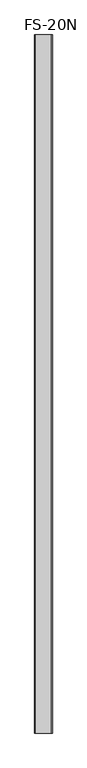
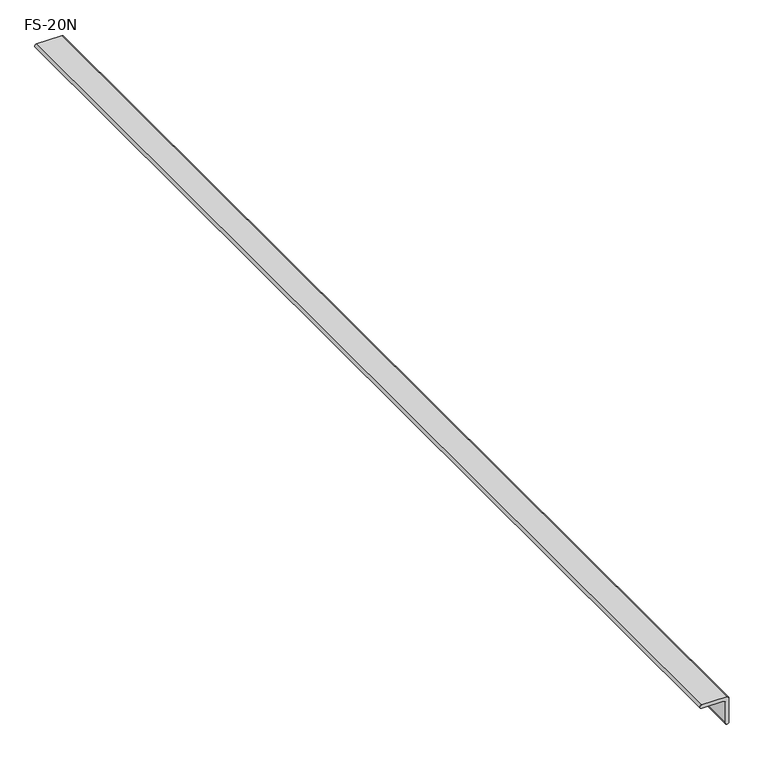
"""IFC4 building model written with IfcOpenShell, lengths in millimetres: proxy geometry, FS-20N."""

from ifc_helpers import new_model, si_unit, frame, origin, place, context, project, spatial, polyline, circle_curve, source, transform, mapped, element, save
from ifc_brep_helpers import plane_surface, cylinder_surface, revolved_surface, advanced_brep


def fs_20n_4d1fc5f1(model_context):
    return source(origin(), model_context, "Body", "AdvancedBrep", [
        advanced_brep(
        [(-67.9402393, 1879.6, -5.8442479), (-68.0517699, 1879.6, 3.5402655), (-2.5287611, 1879.6, 3.5402655), (3.5964601, 1879.6, -2.8378314), (3.5964602, 1879.6, -68.1641593), (-5.7880524, 1879.6, -68.0798675), (-5.7880524, 1879.6, -11.070354), (-11.0141586, 1879.6, -5.8442478), (-67.9402393, -1141.4125, -5.8442478), (-11.0141586, -1141.4125, -5.8442478), (-5.7880524, -1141.4125, -11.070354), (-5.7880524, -1141.4125, -68.0798675), (3.5964602, -1141.4125, -68.1641593), (3.5964602, -1141.4125, -2.8378314), (-2.5763546, -1141.4125, 3.4823125), (-68.0517699, -1141.4125, 3.5402655)],
        [
            (0, 1, circle_curve(frame((-67.9402393, 1879.6, -1.1513284), z_axis=(0.0, 1.0, 0.0), x_axis=(-0.02376572083608572, 0.0, 0.999717555369086)), 4.6929194)),
            (1, 2),
            (2, 3, circle_curve(frame((-2.725442, 1879.6, -2.8378314), z_axis=(0.0, 1.0, 0.0), x_axis=(0.0, 0.0, -1.0)), 6.321902)),
            (3, 4),
            (4, 5, circle_curve(frame((-1.0952991, 1879.6, -68.0666775), z_axis=(0.0, 1.0, 0.0), x_axis=(-0.9999960499480852, 0.0, -0.002810709559288939)), 4.6927718)),
            (5, 6),
            (6, 7, circle_curve(frame((-11.0141586, 1879.6, -11.070354), z_axis=(0.0, -1.0, 0.0), x_axis=(1.0, 0.0, 0.0)), 5.2261062)),
            (7, 0),
            (8, 9),
            (9, 10, circle_curve(frame((-11.0141586, -1141.4125, -11.070354), z_axis=(0.0, 1.0, 0.0), x_axis=(1.0, 0.0, 0.0)), 5.2261062)),
            (10, 11),
            (11, 12, circle_curve(frame((-1.0952991, -1141.4125, -68.0666775), z_axis=(0.0, -1.0, 0.0), x_axis=(-0.9999960499480852, 0.0, -0.002810709559288939)), 4.6927718)),
            (12, 13),
            (13, 14, circle_curve(frame((-2.725442, -1141.4125, -2.8378314), z_axis=(0.0, -1.0, 0.0), x_axis=(0.0, 0.0, -1.0)), 6.321902)),
            (14, 15),
            (15, 8, circle_curve(frame((-67.9402393, -1141.4125, -1.1513284), z_axis=(0.0, -1.0, 0.0), x_axis=(-0.02376572083608572, 0.0, 0.999717555369086)), 4.6929194)),
            (1, 15),
            (14, 2),
            (13, 3),
            (12, 4),
            (11, 5),
            (7, 9),
            (8, 0),
            (10, 6),
        ],
        [
            plane_surface(frame((0.0, 1879.6, 0.0), z_axis=(0.0, 1.0, 0.0), x_axis=(0.0, 0.0, 1.0))),
            plane_surface(frame((0.0, -1141.4125, 0.0), z_axis=(0.0, -1.0, 0.0), x_axis=(0.0, 0.0, 1.0))),
            plane_surface(frame((-68.0517699, 1879.6, 3.5402655), z_axis=(0.0, 0.0, 1.0), x_axis=(0.0, -1.0, 0.0))),
            cylinder_surface(frame((-2.725442, 1879.6, -2.8378314), z_axis=(0.0, 1.0, 0.0), x_axis=(0.0, 0.0, -1.0)), 6.321902),
            plane_surface(frame((3.5964602, 1879.6, -2.8378314), z_axis=(1.0, 0.0, 0.0), x_axis=(0.0, -1.0, 0.0))),
            cylinder_surface(frame((-1.0952991, 1879.6, -68.0666775), z_axis=(0.0, 1.0, 0.0), x_axis=(-0.9999960499480852, 0.0, -0.002810709559288939)), 4.6927718),
            plane_surface(frame((-11.0141586, 1879.6, -5.8442478), z_axis=(0.0, 0.0, -1.0), x_axis=(0.0, -1.0, 0.0))),
            plane_surface(frame((-5.7880524, 1879.6, -68.0798675), z_axis=(-1.0, 0.0, 0.0), x_axis=(0.0, -1.0, 0.0))),
            cylinder_surface(frame((-67.9402393, 1879.6, -1.1513284), z_axis=(0.0, 1.0000000000000002, 0.0), x_axis=(-0.02376572083608572, 0.0, 0.999717555369086)), 4.6929194),
            revolved_surface(polyline([(-5.7880524, -1141.4125, -11.070354), (-5.7880524, 1879.6, -11.070354)]), (-11.0141586, 1879.6, -11.070354), (0.0, -1.0, 0.0)),
        ],
        [
            (0, [[1, 2, 3, 4, 5, 6, 7, 8]]),
            (1, [[9, 10, 11, 12, 13, 14, 15, 16]]),
            (2, [[-2, 17, -15, 18]]),
            (3, [[-3, -18, -14, 19]]),
            (4, [[-4, -19, -13, 20]]),
            (5, [[-5, -20, -12, 21]]),
            (6, [[-8, 22, -9, 23]]),
            (7, [[-6, -21, -11, 24]]),
            (8, [[-1, -23, -16, -17]]),
            (9, [[-7, -24, -10, -22]]),
        ],
    ),
    ])


if __name__ == "__main__":
    model = new_model("IFC4")
    model_context = context("Model", 3, world=origin())
    ifc_project = project(units=[si_unit("LENGTHUNIT", "METRE", prefix="MILLI")], contexts=[model_context])
    site = spatial("IfcSite", under=ifc_project)
    building = spatial("IfcBuilding", under=site)
    placement = place(None, origin())
    fs_20n_shape = fs_20n_4d1fc5f1(model_context)
    element("IfcBuildingElementProxy", 1, Name="FS-20N", ObjectType="FS-20N", at=placement, inside=building, context=model_context, shape_type="MappedRepresentation", body=[
        mapped(fs_20n_shape, transform((0.0, 0.0, 0.0), x_axis=(1.0, 0.0, 0.0), y_axis=(0.0, 1.0, 0.0), z_axis=(0.0, 0.0, 1.0))),
    ])
    save(model, "model.ifc")
